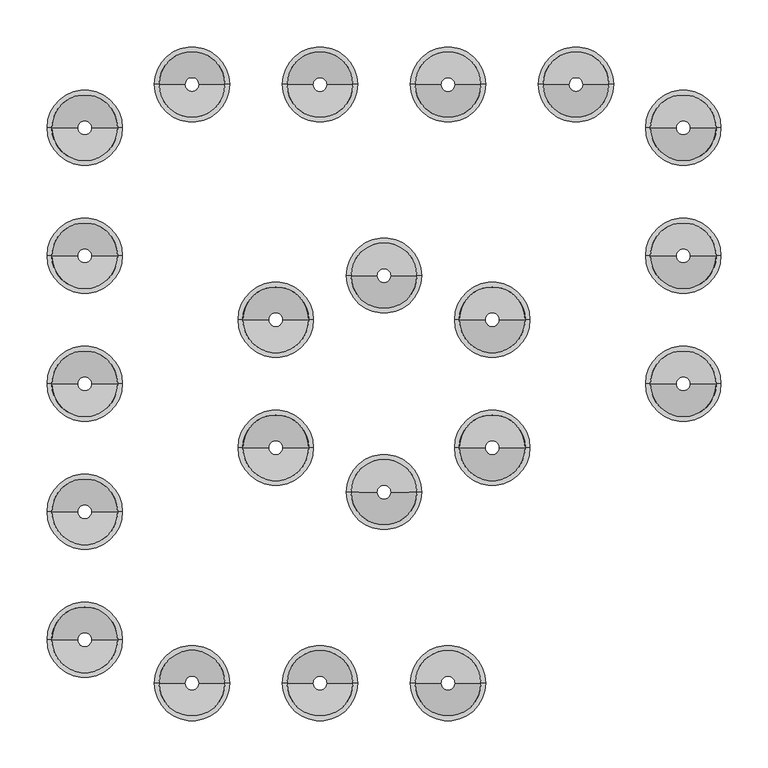
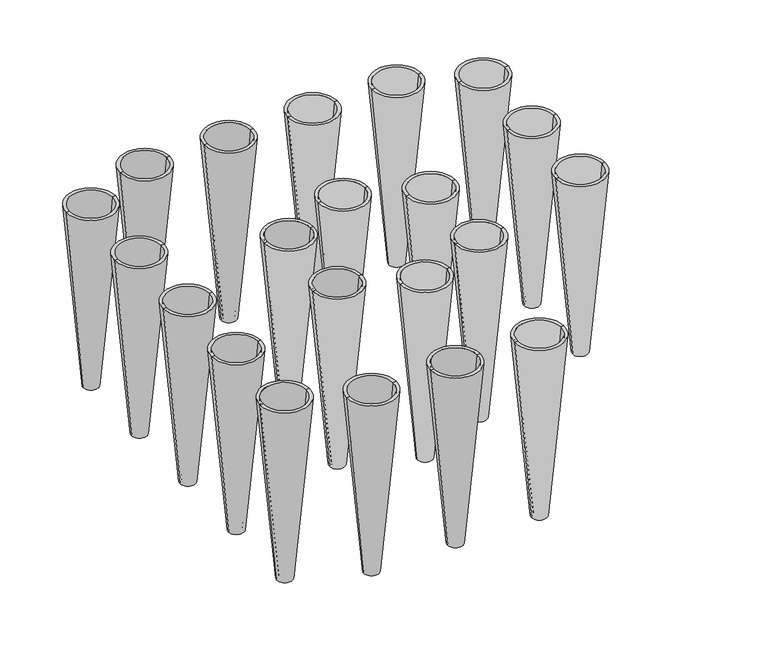
"""IFC4 building model written with IfcOpenShell, lengths in millimetres: proxy geometry."""

from ifc_helpers import new_model, si_unit, frame, origin, place, context, project, spatial, polyline, circle_curve, source, transform, mapped, element, save
from ifc_brep_helpers import plane_surface, revolved_surface, advanced_brep


def specialty_equipment_bf1b4548(model_context):
    return source(origin(), model_context, "Body", "AdvancedBrep", [
        advanced_brep(
        [(-1260.0, -68.0, 0.0), (-1285.0, -68.0, 0.0), (-1279.9768694, -68.0, 0.0), (-1265.0231306, -68.0, 0.0), (-1312.5, -68.0, 310.0), (-1232.5, -68.0, 310.0), (-1237.5231306, -68.0, 310.0), (-1307.4768694, -68.0, 310.0)],
        [
            (0, 1, circle_curve(frame((-1272.5, -68.0, 0.0), z_axis=(0.0, 0.0, -1.0), x_axis=(1.0, 0.0, 0.0)), 12.5)),
            (1, 2),
            (2, 3, circle_curve(frame((-1272.5, -68.0, 0.0), z_axis=(0.0, 0.0, 1.0), x_axis=(1.0, 0.0, 0.0)), 7.4768694)),
            (3, 0),
            (1, 0, circle_curve(frame((-1272.5, -68.0, 0.0), z_axis=(0.0, 0.0, -1.0), x_axis=(1.0, 0.0, 0.0)), 12.5)),
            (3, 2, circle_curve(frame((-1272.5, -68.0, 0.0), z_axis=(0.0, 0.0, 1.0), x_axis=(1.0, 0.0, 0.0)), 7.4768694)),
            (4, 5, circle_curve(frame((-1272.5, -68.0, 310.0), z_axis=(0.0, 0.0, 1.0), x_axis=(1.0, 0.0, 0.0)), 40.0)),
            (5, 6),
            (6, 7, circle_curve(frame((-1272.5, -68.0, 310.0), z_axis=(0.0, 0.0, -1.0), x_axis=(1.0, 0.0, 0.0)), 34.9768694)),
            (7, 4),
            (5, 4, circle_curve(frame((-1272.5, -68.0, 310.0), z_axis=(0.0, 0.0, 1.0), x_axis=(1.0, 0.0, 0.0)), 40.0)),
            (7, 6, circle_curve(frame((-1272.5, -68.0, 310.0), z_axis=(0.0, 0.0, -1.0), x_axis=(1.0, 0.0, 0.0)), 34.9768694)),
            (0, 5),
            (4, 1),
            (3, 6),
            (7, 2),
        ],
        [
            plane_surface(frame((-1272.5, -68.0, 0.0), z_axis=(0.0, 0.0, -1.0), x_axis=(1.0, 0.0, 0.0))),
            plane_surface(frame((-1272.5, -68.0, 310.0), z_axis=(0.0, 0.0, 1.0), x_axis=(1.0, 0.0, 0.0))),
            revolved_surface(polyline([(-1232.5, -68.0, 310.0), (-1260.0, -68.0, 0.0)]), (-1272.5, -68.0, 310.0), (0.0, 0.0, -1.0)),
            revolved_surface(polyline([(-1232.6440984, -68.0, 365.0), (-1265.9102274, -68.0, -10.0)]), (-1272.5, -68.0, 310.0), (0.0, 0.0, 1.0)),
        ],
        [
            (0, [[1, 2, 3, 4]]),
            (0, [[5, -4, 6, -2]]),
            (1, [[7, 8, 9, 10]]),
            (1, [[11, -10, 12, -8]]),
            (2, [[-1, 13, -7, 14]]),
            (2, [[-5, -14, -11, -13]]),
            (3, [[15, -12, 16, -6]]),
            (3, [[-15, -3, -16, -9]]),
        ],
    ),
        advanced_brep(
        [(-1260.0, 68.0, 0.0), (-1285.0, 68.0, 0.0), (-1279.9768694, 68.0, 0.0), (-1265.0231306, 68.0, 0.0), (-1312.5, 68.0, 310.0), (-1232.5, 68.0, 310.0), (-1237.5231306, 68.0, 310.0), (-1307.4768694, 68.0, 310.0)],
        [
            (0, 1, circle_curve(frame((-1272.5, 68.0, 0.0), z_axis=(0.0, 0.0, -1.0), x_axis=(1.0, 0.0, 0.0)), 12.5)),
            (1, 2),
            (2, 3, circle_curve(frame((-1272.5, 68.0, 0.0), z_axis=(0.0, 0.0, 1.0), x_axis=(1.0, 0.0, 0.0)), 7.4768694)),
            (3, 0),
            (1, 0, circle_curve(frame((-1272.5, 68.0, 0.0), z_axis=(0.0, 0.0, -1.0), x_axis=(1.0, 0.0, 0.0)), 12.5)),
            (3, 2, circle_curve(frame((-1272.5, 68.0, 0.0), z_axis=(0.0, 0.0, 1.0), x_axis=(1.0, 0.0, 0.0)), 7.4768694)),
            (4, 5, circle_curve(frame((-1272.5, 68.0, 310.0), z_axis=(0.0, 0.0, 1.0), x_axis=(1.0, 0.0, 0.0)), 40.0)),
            (5, 6),
            (6, 7, circle_curve(frame((-1272.5, 68.0, 310.0), z_axis=(0.0, 0.0, -1.0), x_axis=(1.0, 0.0, 0.0)), 34.9768694)),
            (7, 4),
            (5, 4, circle_curve(frame((-1272.5, 68.0, 310.0), z_axis=(0.0, 0.0, 1.0), x_axis=(1.0, 0.0, 0.0)), 40.0)),
            (7, 6, circle_curve(frame((-1272.5, 68.0, 310.0), z_axis=(0.0, 0.0, -1.0), x_axis=(1.0, 0.0, 0.0)), 34.9768694)),
            (0, 5),
            (4, 1),
            (3, 6),
            (7, 2),
        ],
        [
            plane_surface(frame((-1272.5, 68.0, 0.0), z_axis=(0.0, 0.0, -1.0), x_axis=(1.0, 0.0, 0.0))),
            plane_surface(frame((-1272.5, 68.0, 310.0), z_axis=(0.0, 0.0, 1.0), x_axis=(1.0, 0.0, 0.0))),
            revolved_surface(polyline([(-1232.5, 68.0, 310.0), (-1260.0, 68.0, 0.0)]), (-1272.5, 68.0, 310.0), (0.0, 0.0, -1.0)),
            revolved_surface(polyline([(-1232.6440984, 68.0, 365.0), (-1265.9102274, 68.0, -10.0)]), (-1272.5, 68.0, 310.0), (0.0, 0.0, 1.0)),
        ],
        [
            (0, [[1, 2, 3, 4]]),
            (0, [[5, -4, 6, -2]]),
            (1, [[7, 8, 9, 10]]),
            (1, [[11, -10, 12, -8]]),
            (2, [[-1, 13, -7, 14]]),
            (2, [[-5, -14, -11, -13]]),
            (3, [[15, -12, 16, -6]]),
            (3, [[-15, -3, -16, -9]]),
        ],
    ),
        advanced_brep(
        [(-1349.0, -318.0, 0.0), (-1374.0, -318.0, 0.0), (-1368.9768694, -318.0, 0.0), (-1354.0231306, -318.0, 0.0), (-1401.5, -318.0, 310.0), (-1321.5, -318.0, 310.0), (-1326.5231306, -318.0, 310.0), (-1396.4768694, -318.0, 310.0)],
        [
            (0, 1, circle_curve(frame((-1361.5, -318.0, 0.0), z_axis=(0.0, 0.0, -1.0), x_axis=(-1.0, 0.0, 0.0)), 12.5)),
            (1, 2),
            (2, 3, circle_curve(frame((-1361.5, -318.0, 0.0), z_axis=(0.0, 0.0, 1.0), x_axis=(1.0, 0.0, 0.0)), 7.4768694)),
            (3, 0),
            (1, 0, circle_curve(frame((-1361.5, -318.0, 0.0), z_axis=(0.0, 0.0, -1.0), x_axis=(-1.0, 0.0, 0.0)), 12.5)),
            (3, 2, circle_curve(frame((-1361.5, -318.0, 0.0), z_axis=(0.0, 0.0, 1.0), x_axis=(1.0, 0.0, 0.0)), 7.4768694)),
            (4, 5, circle_curve(frame((-1361.5, -318.0, 310.0), z_axis=(0.0, 0.0, 1.0), x_axis=(-1.0, 0.0, 0.0)), 40.0)),
            (5, 6),
            (6, 7, circle_curve(frame((-1361.5, -318.0, 310.0), z_axis=(0.0, 0.0, -1.0), x_axis=(1.0, 0.0, 0.0)), 34.9768694)),
            (7, 4),
            (5, 4, circle_curve(frame((-1361.5, -318.0, 310.0), z_axis=(0.0, 0.0, 1.0), x_axis=(-1.0, 0.0, 0.0)), 40.0)),
            (7, 6, circle_curve(frame((-1361.5, -318.0, 310.0), z_axis=(0.0, 0.0, -1.0), x_axis=(1.0, 0.0, 0.0)), 34.9768694)),
            (0, 5),
            (4, 1),
            (7, 2),
            (3, 6),
        ],
        [
            plane_surface(frame((-1361.5, -318.0, 0.0), z_axis=(0.0, 0.0, -1.0), x_axis=(-1.0, 0.0, 0.0))),
            plane_surface(frame((-1361.5, -318.0, 310.0), z_axis=(0.0, 0.0, 1.0), x_axis=(-1.0, 0.0, 0.0))),
            revolved_surface(polyline([(-1374.0, -318.0, 0.0), (-1401.5, -318.0, 310.0)]), (-1361.5, -318.0, 310.0), (0.0, 0.0, 1.0)),
            revolved_surface(polyline([(-1321.6440984, -318.0, 365.0), (-1354.9102274, -318.0, -10.0)]), (-1361.5, -318.0, 310.0), (0.0, 0.0, 1.0)),
        ],
        [
            (0, [[1, 2, 3, 4]]),
            (0, [[5, -4, 6, -2]]),
            (1, [[7, 8, 9, 10]]),
            (1, [[11, -10, 12, -8]]),
            (2, [[-1, 13, -7, 14]]),
            (2, [[-5, -14, -11, -13]]),
            (3, [[15, -6, 16, -12]]),
            (3, [[-15, -9, -16, -3]]),
        ],
    ),
        advanced_brep(
        [(-1213.0, -318.0, 0.0), (-1238.0, -318.0, 0.0), (-1232.9768694, -318.0, 0.0), (-1218.0231306, -318.0, 0.0), (-1265.5, -318.0, 310.0), (-1185.5, -318.0, 310.0), (-1190.5231306, -318.0, 310.0), (-1260.4768694, -318.0, 310.0)],
        [
            (0, 1, circle_curve(frame((-1225.5, -318.0, 0.0), z_axis=(0.0, 0.0, -1.0), x_axis=(-1.0, 0.0, 0.0)), 12.5)),
            (1, 2),
            (2, 3, circle_curve(frame((-1225.5, -318.0, 0.0), z_axis=(0.0, 0.0, 1.0), x_axis=(1.0, 0.0, 0.0)), 7.4768694)),
            (3, 0),
            (1, 0, circle_curve(frame((-1225.5, -318.0, 0.0), z_axis=(0.0, 0.0, -1.0), x_axis=(-1.0, 0.0, 0.0)), 12.5)),
            (3, 2, circle_curve(frame((-1225.5, -318.0, 0.0), z_axis=(0.0, 0.0, 1.0), x_axis=(1.0, 0.0, 0.0)), 7.4768694)),
            (4, 5, circle_curve(frame((-1225.5, -318.0, 310.0), z_axis=(0.0, 0.0, 1.0), x_axis=(-1.0, 0.0, 0.0)), 40.0)),
            (5, 6),
            (6, 7, circle_curve(frame((-1225.5, -318.0, 310.0), z_axis=(0.0, 0.0, -1.0), x_axis=(1.0, 0.0, 0.0)), 34.9768694)),
            (7, 4),
            (5, 4, circle_curve(frame((-1225.5, -318.0, 310.0), z_axis=(0.0, 0.0, 1.0), x_axis=(-1.0, 0.0, 0.0)), 40.0)),
            (7, 6, circle_curve(frame((-1225.5, -318.0, 310.0), z_axis=(0.0, 0.0, -1.0), x_axis=(1.0, 0.0, 0.0)), 34.9768694)),
            (0, 5),
            (4, 1),
            (7, 2),
            (3, 6),
        ],
        [
            plane_surface(frame((-1225.5, -318.0, 0.0), z_axis=(0.0, 0.0, -1.0), x_axis=(-1.0, 0.0, 0.0))),
            plane_surface(frame((-1225.5, -318.0, 310.0), z_axis=(0.0, 0.0, 1.0), x_axis=(-1.0, 0.0, 0.0))),
            revolved_surface(polyline([(-1238.0, -318.0, 0.0), (-1265.5, -318.0, 310.0)]), (-1225.5, -318.0, 310.0), (0.0, 0.0, 1.0)),
            revolved_surface(polyline([(-1185.6440984, -318.0, 365.0), (-1218.9102274, -318.0, -10.0)]), (-1225.5, -318.0, 310.0), (0.0, 0.0, 1.0)),
        ],
        [
            (0, [[1, 2, 3, 4]]),
            (0, [[5, -4, 6, -2]]),
            (1, [[7, 8, 9, 10]]),
            (1, [[11, -10, 12, -8]]),
            (2, [[-1, 13, -7, 14]]),
            (2, [[-5, -14, -11, -13]]),
            (3, [[15, -6, 16, -12]]),
            (3, [[-15, -9, -16, -3]]),
        ],
    ),
        advanced_brep(
        [(-1213.0, 318.0, 0.0), (-1238.0, 318.0, 0.0), (-1232.9768694, 318.0, 0.0), (-1218.0231306, 318.0, 0.0), (-1265.5, 318.0, 310.0), (-1185.5, 318.0, 310.0), (-1190.5231306, 318.0, 310.0), (-1260.4768694, 318.0, 310.0)],
        [
            (0, 1, circle_curve(frame((-1225.5, 318.0, 0.0), z_axis=(0.0, 0.0, -1.0), x_axis=(-1.0, 0.0, 0.0)), 12.5)),
            (1, 2),
            (2, 3, circle_curve(frame((-1225.5, 318.0, 0.0), z_axis=(0.0, 0.0, 1.0), x_axis=(1.0, 0.0, 0.0)), 7.4768694)),
            (3, 0),
            (1, 0, circle_curve(frame((-1225.5, 318.0, 0.0), z_axis=(0.0, 0.0, -1.0), x_axis=(-1.0, 0.0, 0.0)), 12.5)),
            (3, 2, circle_curve(frame((-1225.5, 318.0, 0.0), z_axis=(0.0, 0.0, 1.0), x_axis=(1.0, 0.0, 0.0)), 7.4768694)),
            (4, 5, circle_curve(frame((-1225.5, 318.0, 310.0), z_axis=(0.0, 0.0, 1.0), x_axis=(-1.0, 0.0, 0.0)), 40.0)),
            (5, 6),
            (6, 7, circle_curve(frame((-1225.5, 318.0, 310.0), z_axis=(0.0, 0.0, -1.0), x_axis=(1.0, 0.0, 0.0)), 34.9768694)),
            (7, 4),
            (5, 4, circle_curve(frame((-1225.5, 318.0, 310.0), z_axis=(0.0, 0.0, 1.0), x_axis=(-1.0, 0.0, 0.0)), 40.0)),
            (7, 6, circle_curve(frame((-1225.5, 318.0, 310.0), z_axis=(0.0, 0.0, -1.0), x_axis=(1.0, 0.0, 0.0)), 34.9768694)),
            (0, 5),
            (4, 1),
            (7, 2),
            (3, 6),
        ],
        [
            plane_surface(frame((-1225.5, 318.0, 0.0), z_axis=(0.0, 0.0, -1.0), x_axis=(-1.0, 0.0, 0.0))),
            plane_surface(frame((-1225.5, 318.0, 310.0), z_axis=(0.0, 0.0, 1.0), x_axis=(-1.0, 0.0, 0.0))),
            revolved_surface(polyline([(-1238.0, 318.0, 0.0), (-1265.5, 318.0, 310.0)]), (-1225.5, 318.0, 310.0), (0.0, 0.0, 1.0)),
            revolved_surface(polyline([(-1185.6440984, 318.0, 365.0), (-1218.9102274, 318.0, -10.0)]), (-1225.5, 318.0, 310.0), (0.0, 0.0, 1.0)),
        ],
        [
            (0, [[1, 2, 3, 4]]),
            (0, [[5, -4, 6, -2]]),
            (1, [[7, 8, 9, 10]]),
            (1, [[11, -10, 12, -8]]),
            (2, [[-1, 13, -7, 14]]),
            (2, [[-5, -14, -11, -13]]),
            (3, [[15, -6, 16, -12]]),
            (3, [[-15, -9, -16, -3]]),
        ],
    ),
        advanced_brep(
        [(-1349.0, 318.0, 0.0), (-1374.0, 318.0, 0.0), (-1368.9768694, 318.0, 0.0), (-1354.0231306, 318.0, 0.0), (-1401.5, 318.0, 310.0), (-1321.5, 318.0, 310.0), (-1326.5231306, 318.0, 310.0), (-1396.4768694, 318.0, 310.0)],
        [
            (0, 1, circle_curve(frame((-1361.5, 318.0, 0.0), z_axis=(0.0, 0.0, -1.0), x_axis=(-1.0, 0.0, 0.0)), 12.5)),
            (1, 2),
            (2, 3, circle_curve(frame((-1361.5, 318.0, 0.0), z_axis=(0.0, 0.0, 1.0), x_axis=(1.0, 0.0, 0.0)), 7.4768694)),
            (3, 0),
            (1, 0, circle_curve(frame((-1361.5, 318.0, 0.0), z_axis=(0.0, 0.0, -1.0), x_axis=(-1.0, 0.0, 0.0)), 12.5)),
            (3, 2, circle_curve(frame((-1361.5, 318.0, 0.0), z_axis=(0.0, 0.0, 1.0), x_axis=(1.0, 0.0, 0.0)), 7.4768694)),
            (4, 5, circle_curve(frame((-1361.5, 318.0, 310.0), z_axis=(0.0, 0.0, 1.0), x_axis=(-1.0, 0.0, 0.0)), 40.0)),
            (5, 6),
            (6, 7, circle_curve(frame((-1361.5, 318.0, 310.0), z_axis=(0.0, 0.0, -1.0), x_axis=(1.0, 0.0, 0.0)), 34.9768694)),
            (7, 4),
            (5, 4, circle_curve(frame((-1361.5, 318.0, 310.0), z_axis=(0.0, 0.0, 1.0), x_axis=(-1.0, 0.0, 0.0)), 40.0)),
            (7, 6, circle_curve(frame((-1361.5, 318.0, 310.0), z_axis=(0.0, 0.0, -1.0), x_axis=(1.0, 0.0, 0.0)), 34.9768694)),
            (0, 5),
            (4, 1),
            (7, 2),
            (3, 6),
        ],
        [
            plane_surface(frame((-1361.5, 318.0, 0.0), z_axis=(0.0, 0.0, -1.0), x_axis=(-1.0, 0.0, 0.0))),
            plane_surface(frame((-1361.5, 318.0, 310.0), z_axis=(0.0, 0.0, 1.0), x_axis=(-1.0, 0.0, 0.0))),
            revolved_surface(polyline([(-1374.0, 318.0, 0.0), (-1401.5, 318.0, 310.0)]), (-1361.5, 318.0, 310.0), (0.0, 0.0, 1.0)),
            revolved_surface(polyline([(-1321.6440984, 318.0, 365.0), (-1354.9102274, 318.0, -10.0)]), (-1361.5, 318.0, 310.0), (0.0, 0.0, 1.0)),
        ],
        [
            (0, [[1, 2, 3, 4]]),
            (0, [[5, -4, 6, -2]]),
            (1, [[7, 8, 9, 10]]),
            (1, [[11, -10, 12, -8]]),
            (2, [[-1, 13, -7, 14]]),
            (2, [[-5, -14, -11, -13]]),
            (3, [[15, -6, 16, -12]]),
            (3, [[-15, -9, -16, -3]]),
        ],
    ),
        advanced_brep(
        [(-1463.0, 272.0, 0.0), (-1488.0, 272.0, 0.0), (-1482.9768694, 272.0, 0.0), (-1468.0231306, 272.0, 0.0), (-1515.5, 272.0, 310.0), (-1435.5, 272.0, 310.0), (-1440.5231306, 272.0, 310.0), (-1510.4768694, 272.0, 310.0)],
        [
            (0, 1, circle_curve(frame((-1475.5, 272.0, 0.0), z_axis=(0.0, 0.0, -1.0), x_axis=(-1.0, 0.0, 0.0)), 12.5)),
            (1, 2),
            (2, 3, circle_curve(frame((-1475.5, 272.0, 0.0), z_axis=(0.0, 0.0, 1.0), x_axis=(1.0, 0.0, 0.0)), 7.4768694)),
            (3, 0),
            (1, 0, circle_curve(frame((-1475.5, 272.0, 0.0), z_axis=(0.0, 0.0, -1.0), x_axis=(-1.0, 0.0, 0.0)), 12.5)),
            (3, 2, circle_curve(frame((-1475.5, 272.0, 0.0), z_axis=(0.0, 0.0, 1.0), x_axis=(1.0, 0.0, 0.0)), 7.4768694)),
            (4, 5, circle_curve(frame((-1475.5, 272.0, 310.0), z_axis=(0.0, 0.0, 1.0), x_axis=(-1.0, 0.0, 0.0)), 40.0)),
            (5, 6),
            (6, 7, circle_curve(frame((-1475.5, 272.0, 310.0), z_axis=(0.0, 0.0, -1.0), x_axis=(1.0, 0.0, 0.0)), 34.9768694)),
            (7, 4),
            (5, 4, circle_curve(frame((-1475.5, 272.0, 310.0), z_axis=(0.0, 0.0, 1.0), x_axis=(-1.0, 0.0, 0.0)), 40.0)),
            (7, 6, circle_curve(frame((-1475.5, 272.0, 310.0), z_axis=(0.0, 0.0, -1.0), x_axis=(1.0, 0.0, 0.0)), 34.9768694)),
            (0, 5),
            (4, 1),
            (7, 2),
            (3, 6),
        ],
        [
            plane_surface(frame((-1475.5, 272.0, 0.0), z_axis=(0.0, 0.0, -1.0), x_axis=(-1.0, 0.0, 0.0))),
            plane_surface(frame((-1475.5, 272.0, 310.0), z_axis=(0.0, 0.0, 1.0), x_axis=(-1.0, 0.0, 0.0))),
            revolved_surface(polyline([(-1488.0, 272.0, 0.0), (-1515.5, 272.0, 310.0)]), (-1475.5, 272.0, 310.0), (0.0, 0.0, 1.0)),
            revolved_surface(polyline([(-1435.6440984, 272.0, 365.0), (-1468.9102274, 272.0, -10.0)]), (-1475.5, 272.0, 310.0), (0.0, 0.0, 1.0)),
        ],
        [
            (0, [[1, 2, 3, 4]]),
            (0, [[5, -4, 6, -2]]),
            (1, [[7, 8, 9, 10]]),
            (1, [[11, -10, 12, -8]]),
            (2, [[-1, 13, -7, 14]]),
            (2, [[-5, -14, -11, -13]]),
            (3, [[15, -6, 16, -12]]),
            (3, [[-15, -9, -16, -3]]),
        ],
    ),
        advanced_brep(
        [(-1463.0, 136.0, 0.0), (-1488.0, 136.0, 0.0), (-1482.9768694, 136.0, 0.0), (-1468.0231306, 136.0, 0.0), (-1515.5, 136.0, 310.0), (-1435.5, 136.0, 310.0), (-1440.5231306, 136.0, 310.0), (-1510.4768694, 136.0, 310.0)],
        [
            (0, 1, circle_curve(frame((-1475.5, 136.0, 0.0), z_axis=(0.0, 0.0, -1.0), x_axis=(-1.0, 0.0, 0.0)), 12.5)),
            (1, 2),
            (2, 3, circle_curve(frame((-1475.5, 136.0, 0.0), z_axis=(0.0, 0.0, 1.0), x_axis=(1.0, 0.0, 0.0)), 7.4768694)),
            (3, 0),
            (1, 0, circle_curve(frame((-1475.5, 136.0, 0.0), z_axis=(0.0, 0.0, -1.0), x_axis=(-1.0, 0.0, 0.0)), 12.5)),
            (3, 2, circle_curve(frame((-1475.5, 136.0, 0.0), z_axis=(0.0, 0.0, 1.0), x_axis=(1.0, 0.0, 0.0)), 7.4768694)),
            (4, 5, circle_curve(frame((-1475.5, 136.0, 310.0), z_axis=(0.0, 0.0, 1.0), x_axis=(-1.0, 0.0, 0.0)), 40.0)),
            (5, 6),
            (6, 7, circle_curve(frame((-1475.5, 136.0, 310.0), z_axis=(0.0, 0.0, -1.0), x_axis=(1.0, 0.0, 0.0)), 34.9768694)),
            (7, 4),
            (5, 4, circle_curve(frame((-1475.5, 136.0, 310.0), z_axis=(0.0, 0.0, 1.0), x_axis=(-1.0, 0.0, 0.0)), 40.0)),
            (7, 6, circle_curve(frame((-1475.5, 136.0, 310.0), z_axis=(0.0, 0.0, -1.0), x_axis=(1.0, 0.0, 0.0)), 34.9768694)),
            (0, 5),
            (4, 1),
            (7, 2),
            (3, 6),
        ],
        [
            plane_surface(frame((-1475.5, 136.0, 0.0), z_axis=(0.0, 0.0, -1.0), x_axis=(-1.0, 0.0, 0.0))),
            plane_surface(frame((-1475.5, 136.0, 310.0), z_axis=(0.0, 0.0, 1.0), x_axis=(-1.0, 0.0, 0.0))),
            revolved_surface(polyline([(-1488.0, 136.0, 0.0), (-1515.5, 136.0, 310.0)]), (-1475.5, 136.0, 310.0), (0.0, 0.0, 1.0)),
            revolved_surface(polyline([(-1435.6440984, 136.0, 365.0), (-1468.9102274, 136.0, -10.0)]), (-1475.5, 136.0, 310.0), (0.0, 0.0, 1.0)),
        ],
        [
            (0, [[1, 2, 3, 4]]),
            (0, [[5, -4, 6, -2]]),
            (1, [[7, 8, 9, 10]]),
            (1, [[11, -10, 12, -8]]),
            (2, [[-1, 13, -7, 14]]),
            (2, [[-5, -14, -11, -13]]),
            (3, [[15, -6, 16, -12]]),
            (3, [[-15, -9, -16, -3]]),
        ],
    ),
        advanced_brep(
        [(-1463.0, 0.0, 0.0), (-1488.0, 0.0, 0.0), (-1482.9768694, 0.0, 0.0), (-1468.0231306, 0.0, 0.0), (-1515.5, 0.0, 310.0), (-1435.5, 0.0, 310.0), (-1440.5231306, 0.0, 310.0), (-1510.4768694, 0.0, 310.0)],
        [
            (0, 1, circle_curve(frame((-1475.5, 0.0, 0.0), z_axis=(0.0, 0.0, -1.0), x_axis=(-1.0, 0.0, 0.0)), 12.5)),
            (1, 2),
            (2, 3, circle_curve(frame((-1475.5, 0.0, 0.0), z_axis=(0.0, 0.0, 1.0), x_axis=(1.0, 0.0, 0.0)), 7.4768694)),
            (3, 0),
            (1, 0, circle_curve(frame((-1475.5, 0.0, 0.0), z_axis=(0.0, 0.0, -1.0), x_axis=(-1.0, 0.0, 0.0)), 12.5)),
            (3, 2, circle_curve(frame((-1475.5, 0.0, 0.0), z_axis=(0.0, 0.0, 1.0), x_axis=(1.0, 0.0, 0.0)), 7.4768694)),
            (4, 5, circle_curve(frame((-1475.5, 0.0, 310.0), z_axis=(0.0, 0.0, 1.0), x_axis=(-1.0, 0.0, 0.0)), 40.0)),
            (5, 6),
            (6, 7, circle_curve(frame((-1475.5, 0.0, 310.0), z_axis=(0.0, 0.0, -1.0), x_axis=(1.0, 0.0, 0.0)), 34.9768694)),
            (7, 4),
            (5, 4, circle_curve(frame((-1475.5, 0.0, 310.0), z_axis=(0.0, 0.0, 1.0), x_axis=(-1.0, 0.0, 0.0)), 40.0)),
            (7, 6, circle_curve(frame((-1475.5, 0.0, 310.0), z_axis=(0.0, 0.0, -1.0), x_axis=(1.0, 0.0, 0.0)), 34.9768694)),
            (0, 5),
            (4, 1),
            (7, 2),
            (3, 6),
        ],
        [
            plane_surface(frame((-1475.5, 0.0, 0.0), z_axis=(0.0, 0.0, -1.0), x_axis=(-1.0, 0.0, 0.0))),
            plane_surface(frame((-1475.5, 0.0, 310.0), z_axis=(0.0, 0.0, 1.0), x_axis=(-1.0, 0.0, 0.0))),
            revolved_surface(polyline([(-1488.0, 0.0, 0.0), (-1515.5, 0.0, 310.0)]), (-1475.5, 0.0, 310.0), (0.0, 0.0, 1.0)),
            revolved_surface(polyline([(-1435.6440984, 0.0, 365.0), (-1468.9102274, 0.0, -10.0)]), (-1475.5, 0.0, 310.0), (0.0, 0.0, 1.0)),
        ],
        [
            (0, [[1, 2, 3, 4]]),
            (0, [[5, -4, 6, -2]]),
            (1, [[7, 8, 9, 10]]),
            (1, [[11, -10, 12, -8]]),
            (2, [[-1, 13, -7, 14]]),
            (2, [[-5, -14, -11, -13]]),
            (3, [[15, -6, 16, -12]]),
            (3, [[-15, -9, -16, -3]]),
        ],
    ),
        advanced_brep(
        [(-1463.0, -136.0, 0.0), (-1488.0, -136.0, 0.0), (-1482.9768694, -136.0, 0.0), (-1468.0231306, -136.0, 0.0), (-1515.5, -136.0, 310.0), (-1435.5, -136.0, 310.0), (-1440.5231306, -136.0, 310.0), (-1510.4768694, -136.0, 310.0)],
        [
            (0, 1, circle_curve(frame((-1475.5, -136.0, 0.0), z_axis=(0.0, 0.0, -1.0), x_axis=(-1.0, 0.0, 0.0)), 12.5)),
            (1, 2),
            (2, 3, circle_curve(frame((-1475.5, -136.0, 0.0), z_axis=(0.0, 0.0, 1.0), x_axis=(1.0, 0.0, 0.0)), 7.4768694)),
            (3, 0),
            (1, 0, circle_curve(frame((-1475.5, -136.0, 0.0), z_axis=(0.0, 0.0, -1.0), x_axis=(-1.0, 0.0, 0.0)), 12.5)),
            (3, 2, circle_curve(frame((-1475.5, -136.0, 0.0), z_axis=(0.0, 0.0, 1.0), x_axis=(1.0, 0.0, 0.0)), 7.4768694)),
            (4, 5, circle_curve(frame((-1475.5, -136.0, 310.0), z_axis=(0.0, 0.0, 1.0), x_axis=(-1.0, 0.0, 0.0)), 40.0)),
            (5, 6),
            (6, 7, circle_curve(frame((-1475.5, -136.0, 310.0), z_axis=(0.0, 0.0, -1.0), x_axis=(1.0, 0.0, 0.0)), 34.9768694)),
            (7, 4),
            (5, 4, circle_curve(frame((-1475.5, -136.0, 310.0), z_axis=(0.0, 0.0, 1.0), x_axis=(-1.0, 0.0, 0.0)), 40.0)),
            (7, 6, circle_curve(frame((-1475.5, -136.0, 310.0), z_axis=(0.0, 0.0, -1.0), x_axis=(1.0, 0.0, 0.0)), 34.9768694)),
            (0, 5),
            (4, 1),
            (7, 2),
            (3, 6),
        ],
        [
            plane_surface(frame((-1475.5, -136.0, 0.0), z_axis=(0.0, 0.0, -1.0), x_axis=(-1.0, 0.0, 0.0))),
            plane_surface(frame((-1475.5, -136.0, 310.0), z_axis=(0.0, 0.0, 1.0), x_axis=(-1.0, 0.0, 0.0))),
            revolved_surface(polyline([(-1488.0, -136.0, 0.0), (-1515.5, -136.0, 310.0)]), (-1475.5, -136.0, 310.0), (0.0, 0.0, 1.0)),
            revolved_surface(polyline([(-1435.6440984, -136.0, 365.0), (-1468.9102274, -136.0, -10.0)]), (-1475.5, -136.0, 310.0), (0.0, 0.0, 1.0)),
        ],
        [
            (0, [[1, 2, 3, 4]]),
            (0, [[5, -4, 6, -2]]),
            (1, [[7, 8, 9, 10]]),
            (1, [[11, -10, 12, -8]]),
            (2, [[-1, 13, -7, 14]]),
            (2, [[-5, -14, -11, -13]]),
            (3, [[15, -6, 16, -12]]),
            (3, [[-15, -9, -16, -3]]),
        ],
    ),
        advanced_brep(
        [(-1463.0, -272.0, 0.0), (-1488.0, -272.0, 0.0), (-1482.9768694, -272.0, 0.0), (-1468.0231306, -272.0, 0.0), (-1515.5, -272.0, 310.0), (-1435.5, -272.0, 310.0), (-1440.5231306, -272.0, 310.0), (-1510.4768694, -272.0, 310.0)],
        [
            (0, 1, circle_curve(frame((-1475.5, -272.0, 0.0), z_axis=(0.0, 0.0, -1.0), x_axis=(-1.0, 0.0, 0.0)), 12.5)),
            (1, 2),
            (2, 3, circle_curve(frame((-1475.5, -272.0, 0.0), z_axis=(0.0, 0.0, 1.0), x_axis=(1.0, 0.0, 0.0)), 7.4768694)),
            (3, 0),
            (1, 0, circle_curve(frame((-1475.5, -272.0, 0.0), z_axis=(0.0, 0.0, -1.0), x_axis=(-1.0, 0.0, 0.0)), 12.5)),
            (3, 2, circle_curve(frame((-1475.5, -272.0, 0.0), z_axis=(0.0, 0.0, 1.0), x_axis=(1.0, 0.0, 0.0)), 7.4768694)),
            (4, 5, circle_curve(frame((-1475.5, -272.0, 310.0), z_axis=(0.0, 0.0, 1.0), x_axis=(-1.0, 0.0, 0.0)), 40.0)),
            (5, 6),
            (6, 7, circle_curve(frame((-1475.5, -272.0, 310.0), z_axis=(0.0, 0.0, -1.0), x_axis=(1.0, 0.0, 0.0)), 34.9768694)),
            (7, 4),
            (5, 4, circle_curve(frame((-1475.5, -272.0, 310.0), z_axis=(0.0, 0.0, 1.0), x_axis=(-1.0, 0.0, 0.0)), 40.0)),
            (7, 6, circle_curve(frame((-1475.5, -272.0, 310.0), z_axis=(0.0, 0.0, -1.0), x_axis=(1.0, 0.0, 0.0)), 34.9768694)),
            (0, 5),
            (4, 1),
            (7, 2),
            (3, 6),
        ],
        [
            plane_surface(frame((-1475.5, -272.0, 0.0), z_axis=(0.0, 0.0, -1.0), x_axis=(-1.0, 0.0, 0.0))),
            plane_surface(frame((-1475.5, -272.0, 310.0), z_axis=(0.0, 0.0, 1.0), x_axis=(-1.0, 0.0, 0.0))),
            revolved_surface(polyline([(-1488.0, -272.0, 0.0), (-1515.5, -272.0, 310.0)]), (-1475.5, -272.0, 310.0), (0.0, 0.0, 1.0)),
            revolved_surface(polyline([(-1435.6440984, -272.0, 365.0), (-1468.9102274, -272.0, -10.0)]), (-1475.5, -272.0, 310.0), (0.0, 0.0, 1.0)),
        ],
        [
            (0, [[1, 2, 3, 4]]),
            (0, [[5, -4, 6, -2]]),
            (1, [[7, 8, 9, 10]]),
            (1, [[11, -10, 12, -8]]),
            (2, [[-1, 13, -7, 14]]),
            (2, [[-5, -14, -11, -13]]),
            (3, [[15, -6, 16, -12]]),
            (3, [[-15, -9, -16, -3]]),
        ],
    ),
        advanced_brep(
        [(-1077.0, 318.0, 0.0), (-1102.0, 318.0, 0.0), (-1096.9768694, 318.0, 0.0), (-1082.0231306, 318.0, 0.0), (-1129.5, 318.0, 310.0), (-1049.5, 318.0, 310.0), (-1054.5231306, 318.0, 310.0), (-1124.4768694, 318.0, 310.0)],
        [
            (0, 1, circle_curve(frame((-1089.5, 318.0, 0.0), z_axis=(0.0, 0.0, -1.0), x_axis=(1.0, 0.0, 0.0)), 12.5)),
            (1, 2),
            (2, 3, circle_curve(frame((-1089.5, 318.0, 0.0), z_axis=(0.0, 0.0, 1.0), x_axis=(-1.0, 0.0, 0.0)), 7.4768694)),
            (3, 0),
            (1, 0, circle_curve(frame((-1089.5, 318.0, 0.0), z_axis=(0.0, 0.0, -1.0), x_axis=(1.0, 0.0, 0.0)), 12.5)),
            (3, 2, circle_curve(frame((-1089.5, 318.0, 0.0), z_axis=(0.0, 0.0, 1.0), x_axis=(-1.0, 0.0, 0.0)), 7.4768694)),
            (4, 5, circle_curve(frame((-1089.5, 318.0, 310.0), z_axis=(0.0, 0.0, 1.0), x_axis=(1.0, 0.0, 0.0)), 40.0)),
            (5, 6),
            (6, 7, circle_curve(frame((-1089.5, 318.0, 310.0), z_axis=(0.0, 0.0, -1.0), x_axis=(-1.0, 0.0, 0.0)), 34.9768694)),
            (7, 4),
            (5, 4, circle_curve(frame((-1089.5, 318.0, 310.0), z_axis=(0.0, 0.0, 1.0), x_axis=(1.0, 0.0, 0.0)), 40.0)),
            (7, 6, circle_curve(frame((-1089.5, 318.0, 310.0), z_axis=(0.0, 0.0, -1.0), x_axis=(-1.0, 0.0, 0.0)), 34.9768694)),
            (0, 5),
            (4, 1),
            (3, 6),
            (7, 2),
        ],
        [
            plane_surface(frame((-1089.5, 318.0, 0.0), z_axis=(0.0, 0.0, -1.0), x_axis=(1.0, 0.0, 0.0))),
            plane_surface(frame((-1089.5, 318.0, 310.0), z_axis=(0.0, 0.0, 1.0), x_axis=(1.0, 0.0, 0.0))),
            revolved_surface(polyline([(-1049.5, 318.0, 310.0), (-1077.0, 318.0, 0.0)]), (-1089.5, 318.0, 310.0), (0.0, 0.0, -1.0)),
            revolved_surface(polyline([(-1096.0897726, 318.0, -10.0), (-1129.3559016, 318.0, 365.0)]), (-1089.5, 318.0, 310.0), (0.0, 0.0, -1.0)),
        ],
        [
            (0, [[1, 2, 3, 4]]),
            (0, [[5, -4, 6, -2]]),
            (1, [[7, 8, 9, 10]]),
            (1, [[11, -10, 12, -8]]),
            (2, [[-1, 13, -7, 14]]),
            (2, [[-5, -14, -11, -13]]),
            (3, [[15, -12, 16, -6]]),
            (3, [[-15, -3, -16, -9]]),
        ],
    ),
        advanced_brep(
        [(-1077.0, -318.0, 0.0), (-1102.0, -318.0, 0.0), (-1096.9768694, -318.0, 0.0), (-1082.0231306, -318.0, 0.0), (-1129.5, -318.0, 310.0), (-1049.5, -318.0, 310.0), (-1054.5231306, -318.0, 310.0), (-1124.4768694, -318.0, 310.0)],
        [
            (0, 1, circle_curve(frame((-1089.5, -318.0, 0.0), z_axis=(0.0, 0.0, -1.0), x_axis=(1.0, 0.0, 0.0)), 12.5)),
            (1, 2),
            (2, 3, circle_curve(frame((-1089.5, -318.0, 0.0), z_axis=(0.0, 0.0, 1.0), x_axis=(-1.0, 0.0, 0.0)), 7.4768694)),
            (3, 0),
            (1, 0, circle_curve(frame((-1089.5, -318.0, 0.0), z_axis=(0.0, 0.0, -1.0), x_axis=(1.0, 0.0, 0.0)), 12.5)),
            (3, 2, circle_curve(frame((-1089.5, -318.0, 0.0), z_axis=(0.0, 0.0, 1.0), x_axis=(-1.0, 0.0, 0.0)), 7.4768694)),
            (4, 5, circle_curve(frame((-1089.5, -318.0, 310.0), z_axis=(0.0, 0.0, 1.0), x_axis=(1.0, 0.0, 0.0)), 40.0)),
            (5, 6),
            (6, 7, circle_curve(frame((-1089.5, -318.0, 310.0), z_axis=(0.0, 0.0, -1.0), x_axis=(-1.0, 0.0, 0.0)), 34.9768694)),
            (7, 4),
            (5, 4, circle_curve(frame((-1089.5, -318.0, 310.0), z_axis=(0.0, 0.0, 1.0), x_axis=(1.0, 0.0, 0.0)), 40.0)),
            (7, 6, circle_curve(frame((-1089.5, -318.0, 310.0), z_axis=(0.0, 0.0, -1.0), x_axis=(-1.0, 0.0, 0.0)), 34.9768694)),
            (0, 5),
            (4, 1),
            (3, 6),
            (7, 2),
        ],
        [
            plane_surface(frame((-1089.5, -318.0, 0.0), z_axis=(0.0, 0.0, -1.0), x_axis=(1.0, 0.0, 0.0))),
            plane_surface(frame((-1089.5, -318.0, 310.0), z_axis=(0.0, 0.0, 1.0), x_axis=(1.0, 0.0, 0.0))),
            revolved_surface(polyline([(-1049.5, -318.0, 310.0), (-1077.0, -318.0, 0.0)]), (-1089.5, -318.0, 310.0), (0.0, 0.0, -1.0)),
            revolved_surface(polyline([(-1096.0897726, -318.0, -10.0), (-1129.3559016, -318.0, 365.0)]), (-1089.5, -318.0, 310.0), (0.0, 0.0, -1.0)),
        ],
        [
            (0, [[1, 2, 3, 4]]),
            (0, [[5, -4, 6, -2]]),
            (1, [[7, 8, 9, 10]]),
            (1, [[11, -10, 12, -8]]),
            (2, [[-1, 13, -7, 14]]),
            (2, [[-5, -14, -11, -13]]),
            (3, [[15, -12, 16, -6]]),
            (3, [[-15, -3, -16, -9]]),
        ],
    ),
        advanced_brep(
        [(-1145.0, 115.0, 0.0), (-1170.0, 115.0, 0.0), (-1164.9768694, 115.0, 0.0), (-1150.0231306, 115.0, 0.0), (-1197.5, 115.0, 310.0), (-1117.5, 115.0, 310.0), (-1122.5231306, 115.0, 310.0), (-1192.4768694, 115.0, 310.0)],
        [
            (0, 1, circle_curve(frame((-1157.5, 115.0, 0.0), z_axis=(0.0, 0.0, -1.0), x_axis=(1.0, 0.0, 0.0)), 12.5)),
            (1, 2),
            (2, 3, circle_curve(frame((-1157.5, 115.0, 0.0), z_axis=(0.0, 0.0, 1.0), x_axis=(-1.0, 0.0, 0.0)), 7.4768694)),
            (3, 0),
            (1, 0, circle_curve(frame((-1157.5, 115.0, 0.0), z_axis=(0.0, 0.0, -1.0), x_axis=(1.0, 0.0, 0.0)), 12.5)),
            (3, 2, circle_curve(frame((-1157.5, 115.0, 0.0), z_axis=(0.0, 0.0, 1.0), x_axis=(-1.0, 0.0, 0.0)), 7.4768694)),
            (4, 5, circle_curve(frame((-1157.5, 115.0, 310.0), z_axis=(0.0, 0.0, 1.0), x_axis=(1.0, 0.0, 0.0)), 40.0)),
            (5, 6),
            (6, 7, circle_curve(frame((-1157.5, 115.0, 310.0), z_axis=(0.0, 0.0, -1.0), x_axis=(-1.0, 0.0, 0.0)), 34.9768694)),
            (7, 4),
            (5, 4, circle_curve(frame((-1157.5, 115.0, 310.0), z_axis=(0.0, 0.0, 1.0), x_axis=(1.0, 0.0, 0.0)), 40.0)),
            (7, 6, circle_curve(frame((-1157.5, 115.0, 310.0), z_axis=(0.0, 0.0, -1.0), x_axis=(-1.0, 0.0, 0.0)), 34.9768694)),
            (0, 5),
            (4, 1),
            (3, 6),
            (7, 2),
        ],
        [
            plane_surface(frame((-1157.5, 115.0, 0.0), z_axis=(0.0, 0.0, -1.0), x_axis=(1.0, 0.0, 0.0))),
            plane_surface(frame((-1157.5, 115.0, 310.0), z_axis=(0.0, 0.0, 1.0), x_axis=(1.0, 0.0, 0.0))),
            revolved_surface(polyline([(-1117.5, 115.0, 310.0), (-1145.0, 115.0, 0.0)]), (-1157.5, 115.0, 310.0), (0.0, 0.0, -1.0)),
            revolved_surface(polyline([(-1164.0897726, 115.0, -10.0), (-1197.3559016, 115.0, 365.0)]), (-1157.5, 115.0, 310.0), (0.0, 0.0, -1.0)),
        ],
        [
            (0, [[1, 2, 3, 4]]),
            (0, [[5, -4, 6, -2]]),
            (1, [[7, 8, 9, 10]]),
            (1, [[11, -10, 12, -8]]),
            (2, [[-1, 13, -7, 14]]),
            (2, [[-5, -14, -11, -13]]),
            (3, [[15, -12, 16, -6]]),
            (3, [[-15, -3, -16, -9]]),
        ],
    ),
        advanced_brep(
        [(-1030.0, 68.0, 0.0), (-1055.0, 68.0, 0.0), (-1049.9768694, 68.0, 0.0), (-1035.0231306, 68.0, 0.0), (-1082.5, 68.0, 310.0), (-1002.5, 68.0, 310.0), (-1007.5231306, 68.0, 310.0), (-1077.4768694, 68.0, 310.0)],
        [
            (0, 1, circle_curve(frame((-1042.5, 68.0, 0.0), z_axis=(0.0, 0.0, -1.0), x_axis=(1.0, 0.0, 0.0)), 12.5)),
            (1, 2),
            (2, 3, circle_curve(frame((-1042.5, 68.0, 0.0), z_axis=(0.0, 0.0, 1.0), x_axis=(-1.0, 0.0, 0.0)), 7.4768694)),
            (3, 0),
            (1, 0, circle_curve(frame((-1042.5, 68.0, 0.0), z_axis=(0.0, 0.0, -1.0), x_axis=(1.0, 0.0, 0.0)), 12.5)),
            (3, 2, circle_curve(frame((-1042.5, 68.0, 0.0), z_axis=(0.0, 0.0, 1.0), x_axis=(-1.0, 0.0, 0.0)), 7.4768694)),
            (4, 5, circle_curve(frame((-1042.5, 68.0, 310.0), z_axis=(0.0, 0.0, 1.0), x_axis=(1.0, 0.0, 0.0)), 40.0)),
            (5, 6),
            (6, 7, circle_curve(frame((-1042.5, 68.0, 310.0), z_axis=(0.0, 0.0, -1.0), x_axis=(-1.0, 0.0, 0.0)), 34.9768694)),
            (7, 4),
            (5, 4, circle_curve(frame((-1042.5, 68.0, 310.0), z_axis=(0.0, 0.0, 1.0), x_axis=(1.0, 0.0, 0.0)), 40.0)),
            (7, 6, circle_curve(frame((-1042.5, 68.0, 310.0), z_axis=(0.0, 0.0, -1.0), x_axis=(-1.0, 0.0, 0.0)), 34.9768694)),
            (0, 5),
            (4, 1),
            (3, 6),
            (7, 2),
        ],
        [
            plane_surface(frame((-1042.5, 68.0, 0.0), z_axis=(0.0, 0.0, -1.0), x_axis=(1.0, 0.0, 0.0))),
            plane_surface(frame((-1042.5, 68.0, 310.0), z_axis=(0.0, 0.0, 1.0), x_axis=(1.0, 0.0, 0.0))),
            revolved_surface(polyline([(-1002.5, 68.0, 310.0), (-1030.0, 68.0, 0.0)]), (-1042.5, 68.0, 310.0), (0.0, 0.0, -1.0)),
            revolved_surface(polyline([(-1049.0897726, 68.0, -10.0), (-1082.3559016, 68.0, 365.0)]), (-1042.5, 68.0, 310.0), (0.0, 0.0, -1.0)),
        ],
        [
            (0, [[1, 2, 3, 4]]),
            (0, [[5, -4, 6, -2]]),
            (1, [[7, 8, 9, 10]]),
            (1, [[11, -10, 12, -8]]),
            (2, [[-1, 13, -7, 14]]),
            (2, [[-5, -14, -11, -13]]),
            (3, [[15, -12, 16, -6]]),
            (3, [[-15, -3, -16, -9]]),
        ],
    ),
        advanced_brep(
        [(-1030.0, -68.0, 0.0), (-1055.0, -68.0, 0.0), (-1049.9768694, -68.0, 0.0), (-1035.0231306, -68.0, 0.0), (-1082.5, -68.0, 310.0), (-1002.5, -68.0, 310.0), (-1007.5231306, -68.0, 310.0), (-1077.4768694, -68.0, 310.0)],
        [
            (0, 1, circle_curve(frame((-1042.5, -68.0, 0.0), z_axis=(0.0, 0.0, -1.0), x_axis=(1.0, 0.0, 0.0)), 12.5)),
            (1, 2),
            (2, 3, circle_curve(frame((-1042.5, -68.0, 0.0), z_axis=(0.0, 0.0, 1.0), x_axis=(-1.0, 0.0, 0.0)), 7.4768694)),
            (3, 0),
            (1, 0, circle_curve(frame((-1042.5, -68.0, 0.0), z_axis=(0.0, 0.0, -1.0), x_axis=(1.0, 0.0, 0.0)), 12.5)),
            (3, 2, circle_curve(frame((-1042.5, -68.0, 0.0), z_axis=(0.0, 0.0, 1.0), x_axis=(-1.0, 0.0, 0.0)), 7.4768694)),
            (4, 5, circle_curve(frame((-1042.5, -68.0, 310.0), z_axis=(0.0, 0.0, 1.0), x_axis=(1.0, 0.0, 0.0)), 40.0)),
            (5, 6),
            (6, 7, circle_curve(frame((-1042.5, -68.0, 310.0), z_axis=(0.0, 0.0, -1.0), x_axis=(-1.0, 0.0, 0.0)), 34.9768694)),
            (7, 4),
            (5, 4, circle_curve(frame((-1042.5, -68.0, 310.0), z_axis=(0.0, 0.0, 1.0), x_axis=(1.0, 0.0, 0.0)), 40.0)),
            (7, 6, circle_curve(frame((-1042.5, -68.0, 310.0), z_axis=(0.0, 0.0, -1.0), x_axis=(-1.0, 0.0, 0.0)), 34.9768694)),
            (0, 5),
            (4, 1),
            (3, 6),
            (7, 2),
        ],
        [
            plane_surface(frame((-1042.5, -68.0, 0.0), z_axis=(0.0, 0.0, -1.0), x_axis=(1.0, 0.0, 0.0))),
            plane_surface(frame((-1042.5, -68.0, 310.0), z_axis=(0.0, 0.0, 1.0), x_axis=(1.0, 0.0, 0.0))),
            revolved_surface(polyline([(-1002.5, -68.0, 310.0), (-1030.0, -68.0, 0.0)]), (-1042.5, -68.0, 310.0), (0.0, 0.0, -1.0)),
            revolved_surface(polyline([(-1049.0897726, -68.0, -10.0), (-1082.3559016, -68.0, 365.0)]), (-1042.5, -68.0, 310.0), (0.0, 0.0, -1.0)),
        ],
        [
            (0, [[1, 2, 3, 4]]),
            (0, [[5, -4, 6, -2]]),
            (1, [[7, 8, 9, 10]]),
            (1, [[11, -10, 12, -8]]),
            (2, [[-1, 13, -7, 14]]),
            (2, [[-5, -14, -11, -13]]),
            (3, [[15, -12, 16, -6]]),
            (3, [[-15, -3, -16, -9]]),
        ],
    ),
        advanced_brep(
        [(-1145.0, -115.0, 0.0), (-1170.0, -115.0, 0.0), (-1164.9768694, -115.0, 0.0), (-1150.0231306, -115.0, 0.0), (-1197.5, -115.0, 310.0), (-1117.5, -115.0, 310.0), (-1122.5231306, -115.0, 310.0), (-1192.4768694, -115.0, 310.0)],
        [
            (0, 1, circle_curve(frame((-1157.5, -115.0, 0.0), z_axis=(0.0, 0.0, -1.0), x_axis=(1.0, 0.0, 0.0)), 12.5)),
            (1, 2),
            (2, 3, circle_curve(frame((-1157.5, -115.0, 0.0), z_axis=(0.0, 0.0, 1.0), x_axis=(-1.0, 0.0, 0.0)), 7.4768694)),
            (3, 0),
            (1, 0, circle_curve(frame((-1157.5, -115.0, 0.0), z_axis=(0.0, 0.0, -1.0), x_axis=(1.0, 0.0, 0.0)), 12.5)),
            (3, 2, circle_curve(frame((-1157.5, -115.0, 0.0), z_axis=(0.0, 0.0, 1.0), x_axis=(-1.0, 0.0, 0.0)), 7.4768694)),
            (4, 5, circle_curve(frame((-1157.5, -115.0, 310.0), z_axis=(0.0, 0.0, 1.0), x_axis=(1.0, 0.0, 0.0)), 40.0)),
            (5, 6),
            (6, 7, circle_curve(frame((-1157.5, -115.0, 310.0), z_axis=(0.0, 0.0, -1.0), x_axis=(-1.0, 0.0, 0.0)), 34.9768694)),
            (7, 4),
            (5, 4, circle_curve(frame((-1157.5, -115.0, 310.0), z_axis=(0.0, 0.0, 1.0), x_axis=(1.0, 0.0, 0.0)), 40.0)),
            (7, 6, circle_curve(frame((-1157.5, -115.0, 310.0), z_axis=(0.0, 0.0, -1.0), x_axis=(-1.0, 0.0, 0.0)), 34.9768694)),
            (0, 5),
            (4, 1),
            (3, 6),
            (7, 2),
        ],
        [
            plane_surface(frame((-1157.5, -115.0, 0.0), z_axis=(0.0, 0.0, -1.0), x_axis=(1.0, 0.0, 0.0))),
            plane_surface(frame((-1157.5, -115.0, 310.0), z_axis=(0.0, 0.0, 1.0), x_axis=(1.0, 0.0, 0.0))),
            revolved_surface(polyline([(-1117.5, -115.0, 310.0), (-1145.0, -115.0, 0.0)]), (-1157.5, -115.0, 310.0), (0.0, 0.0, -1.0)),
            revolved_surface(polyline([(-1164.0897726, -115.0, -10.0), (-1197.3559016, -115.0, 365.0)]), (-1157.5, -115.0, 310.0), (0.0, 0.0, -1.0)),
        ],
        [
            (0, [[1, 2, 3, 4]]),
            (0, [[5, -4, 6, -2]]),
            (1, [[7, 8, 9, 10]]),
            (1, [[11, -10, 12, -8]]),
            (2, [[-1, 13, -7, 14]]),
            (2, [[-5, -14, -11, -13]]),
            (3, [[15, -12, 16, -6]]),
            (3, [[-15, -3, -16, -9]]),
        ],
    ),
        advanced_brep(
        [(-941.0, 318.0, 0.0), (-966.0, 318.0, 0.0), (-960.9768694, 318.0, 0.0), (-946.0231306, 318.0, 0.0), (-993.5, 318.0, 310.0), (-913.5, 318.0, 310.0), (-918.5231306, 318.0, 310.0), (-988.4768694, 318.0, 310.0)],
        [
            (0, 1, circle_curve(frame((-953.5, 318.0, 0.0), z_axis=(0.0, 0.0, -1.0), x_axis=(1.0, 0.0, 0.0)), 12.5)),
            (1, 2),
            (2, 3, circle_curve(frame((-953.5, 318.0, 0.0), z_axis=(0.0, 0.0, 1.0), x_axis=(-1.0, 0.0, 0.0)), 7.4768694)),
            (3, 0),
            (1, 0, circle_curve(frame((-953.5, 318.0, 0.0), z_axis=(0.0, 0.0, -1.0), x_axis=(1.0, 0.0, 0.0)), 12.5)),
            (3, 2, circle_curve(frame((-953.5, 318.0, 0.0), z_axis=(0.0, 0.0, 1.0), x_axis=(-1.0, 0.0, 0.0)), 7.4768694)),
            (4, 5, circle_curve(frame((-953.5, 318.0, 310.0), z_axis=(0.0, 0.0, 1.0), x_axis=(1.0, 0.0, 0.0)), 40.0)),
            (5, 6),
            (6, 7, circle_curve(frame((-953.5, 318.0, 310.0), z_axis=(0.0, 0.0, -1.0), x_axis=(-1.0, 0.0, 0.0)), 34.9768694)),
            (7, 4),
            (5, 4, circle_curve(frame((-953.5, 318.0, 310.0), z_axis=(0.0, 0.0, 1.0), x_axis=(1.0, 0.0, 0.0)), 40.0)),
            (7, 6, circle_curve(frame((-953.5, 318.0, 310.0), z_axis=(0.0, 0.0, -1.0), x_axis=(-1.0, 0.0, 0.0)), 34.9768694)),
            (0, 5),
            (4, 1),
            (3, 6),
            (7, 2),
        ],
        [
            plane_surface(frame((-953.5, 318.0, 0.0), z_axis=(0.0, 0.0, -1.0), x_axis=(1.0, 0.0, 0.0))),
            plane_surface(frame((-953.5, 318.0, 310.0), z_axis=(0.0, 0.0, 1.0), x_axis=(1.0, 0.0, 0.0))),
            revolved_surface(polyline([(-913.5, 318.0, 310.0), (-941.0, 318.0, 0.0)]), (-953.5, 318.0, 310.0), (0.0, 0.0, -1.0)),
            revolved_surface(polyline([(-960.0897726, 318.0, -10.0), (-993.3559016, 318.0, 365.0)]), (-953.5, 318.0, 310.0), (0.0, 0.0, -1.0)),
        ],
        [
            (0, [[1, 2, 3, 4]]),
            (0, [[5, -4, 6, -2]]),
            (1, [[7, 8, 9, 10]]),
            (1, [[11, -10, 12, -8]]),
            (2, [[-1, 13, -7, 14]]),
            (2, [[-5, -14, -11, -13]]),
            (3, [[15, -12, 16, -6]]),
            (3, [[-15, -3, -16, -9]]),
        ],
    ),
        advanced_brep(
        [(-827.0, 272.0, 0.0), (-852.0, 272.0, 0.0), (-846.9768694, 272.0, 0.0), (-832.0231306, 272.0, 0.0), (-879.5, 272.0, 310.0), (-799.5, 272.0, 310.0), (-804.5231306, 272.0, 310.0), (-874.4768694, 272.0, 310.0)],
        [
            (0, 1, circle_curve(frame((-839.5, 272.0, 0.0), z_axis=(0.0, 0.0, -1.0), x_axis=(1.0, 0.0, 0.0)), 12.5)),
            (1, 2),
            (2, 3, circle_curve(frame((-839.5, 272.0, 0.0), z_axis=(0.0, 0.0, 1.0), x_axis=(-1.0, 0.0, 0.0)), 7.4768694)),
            (3, 0),
            (1, 0, circle_curve(frame((-839.5, 272.0, 0.0), z_axis=(0.0, 0.0, -1.0), x_axis=(1.0, 0.0, 0.0)), 12.5)),
            (3, 2, circle_curve(frame((-839.5, 272.0, 0.0), z_axis=(0.0, 0.0, 1.0), x_axis=(-1.0, 0.0, 0.0)), 7.4768694)),
            (4, 5, circle_curve(frame((-839.5, 272.0, 310.0), z_axis=(0.0, 0.0, 1.0), x_axis=(1.0, 0.0, 0.0)), 40.0)),
            (5, 6),
            (6, 7, circle_curve(frame((-839.5, 272.0, 310.0), z_axis=(0.0, 0.0, -1.0), x_axis=(-1.0, 0.0, 0.0)), 34.9768694)),
            (7, 4),
            (5, 4, circle_curve(frame((-839.5, 272.0, 310.0), z_axis=(0.0, 0.0, 1.0), x_axis=(1.0, 0.0, 0.0)), 40.0)),
            (7, 6, circle_curve(frame((-839.5, 272.0, 310.0), z_axis=(0.0, 0.0, -1.0), x_axis=(-1.0, 0.0, 0.0)), 34.9768694)),
            (0, 5),
            (4, 1),
            (3, 6),
            (7, 2),
        ],
        [
            plane_surface(frame((-839.5, 272.0, 0.0), z_axis=(0.0, 0.0, -1.0), x_axis=(1.0, 0.0, 0.0))),
            plane_surface(frame((-839.5, 272.0, 310.0), z_axis=(0.0, 0.0, 1.0), x_axis=(1.0, 0.0, 0.0))),
            revolved_surface(polyline([(-799.5, 272.0, 310.0), (-827.0, 272.0, 0.0)]), (-839.5, 272.0, 310.0), (0.0, 0.0, -1.0)),
            revolved_surface(polyline([(-846.0897726, 272.0, -10.0), (-879.3559016, 272.0, 365.0)]), (-839.5, 272.0, 310.0), (0.0, 0.0, -1.0)),
        ],
        [
            (0, [[1, 2, 3, 4]]),
            (0, [[5, -4, 6, -2]]),
            (1, [[7, 8, 9, 10]]),
            (1, [[11, -10, 12, -8]]),
            (2, [[-1, 13, -7, 14]]),
            (2, [[-5, -14, -11, -13]]),
            (3, [[15, -12, 16, -6]]),
            (3, [[-15, -3, -16, -9]]),
        ],
    ),
        advanced_brep(
        [(-827.0, 136.0, 0.0), (-852.0, 136.0, 0.0), (-846.9768694, 136.0, 0.0), (-832.0231306, 136.0, 0.0), (-879.5, 136.0, 310.0), (-799.5, 136.0, 310.0), (-804.5231306, 136.0, 310.0), (-874.4768694, 136.0, 310.0)],
        [
            (0, 1, circle_curve(frame((-839.5, 136.0, 0.0), z_axis=(0.0, 0.0, -1.0), x_axis=(1.0, 0.0, 0.0)), 12.5)),
            (1, 2),
            (2, 3, circle_curve(frame((-839.5, 136.0, 0.0), z_axis=(0.0, 0.0, 1.0), x_axis=(-1.0, 0.0, 0.0)), 7.4768694)),
            (3, 0),
            (1, 0, circle_curve(frame((-839.5, 136.0, 0.0), z_axis=(0.0, 0.0, -1.0), x_axis=(1.0, 0.0, 0.0)), 12.5)),
            (3, 2, circle_curve(frame((-839.5, 136.0, 0.0), z_axis=(0.0, 0.0, 1.0), x_axis=(-1.0, 0.0, 0.0)), 7.4768694)),
            (4, 5, circle_curve(frame((-839.5, 136.0, 310.0), z_axis=(0.0, 0.0, 1.0), x_axis=(1.0, 0.0, 0.0)), 40.0)),
            (5, 6),
            (6, 7, circle_curve(frame((-839.5, 136.0, 310.0), z_axis=(0.0, 0.0, -1.0), x_axis=(-1.0, 0.0, 0.0)), 34.9768694)),
            (7, 4),
            (5, 4, circle_curve(frame((-839.5, 136.0, 310.0), z_axis=(0.0, 0.0, 1.0), x_axis=(1.0, 0.0, 0.0)), 40.0)),
            (7, 6, circle_curve(frame((-839.5, 136.0, 310.0), z_axis=(0.0, 0.0, -1.0), x_axis=(-1.0, 0.0, 0.0)), 34.9768694)),
            (0, 5),
            (4, 1),
            (3, 6),
            (7, 2),
        ],
        [
            plane_surface(frame((-839.5, 136.0, 0.0), z_axis=(0.0, 0.0, -1.0), x_axis=(1.0, 0.0, 0.0))),
            plane_surface(frame((-839.5, 136.0, 310.0), z_axis=(0.0, 0.0, 1.0), x_axis=(1.0, 0.0, 0.0))),
            revolved_surface(polyline([(-799.5, 136.0, 310.0), (-827.0, 136.0, 0.0)]), (-839.5, 136.0, 310.0), (0.0, 0.0, -1.0)),
            revolved_surface(polyline([(-846.0897726, 136.0, -10.0), (-879.3559016, 136.0, 365.0)]), (-839.5, 136.0, 310.0), (0.0, 0.0, -1.0)),
        ],
        [
            (0, [[1, 2, 3, 4]]),
            (0, [[5, -4, 6, -2]]),
            (1, [[7, 8, 9, 10]]),
            (1, [[11, -10, 12, -8]]),
            (2, [[-1, 13, -7, 14]]),
            (2, [[-5, -14, -11, -13]]),
            (3, [[15, -12, 16, -6]]),
            (3, [[-15, -3, -16, -9]]),
        ],
    ),
        advanced_brep(
        [(-827.0, 0.0, 0.0), (-852.0, 0.0, 0.0), (-846.9768694, 0.0, 0.0), (-832.0231306, 0.0, 0.0), (-879.5, 0.0, 310.0), (-799.5, 0.0, 310.0), (-804.5231306, 0.0, 310.0), (-874.4768694, 0.0, 310.0)],
        [
            (0, 1, circle_curve(frame((-839.5, 0.0, 0.0), z_axis=(0.0, 0.0, -1.0), x_axis=(1.0, 0.0, 0.0)), 12.5)),
            (1, 2),
            (2, 3, circle_curve(frame((-839.5, 0.0, 0.0), z_axis=(0.0, 0.0, 1.0), x_axis=(-1.0, 0.0, 0.0)), 7.4768694)),
            (3, 0),
            (1, 0, circle_curve(frame((-839.5, 0.0, 0.0), z_axis=(0.0, 0.0, -1.0), x_axis=(1.0, 0.0, 0.0)), 12.5)),
            (3, 2, circle_curve(frame((-839.5, 0.0, 0.0), z_axis=(0.0, 0.0, 1.0), x_axis=(-1.0, 0.0, 0.0)), 7.4768694)),
            (4, 5, circle_curve(frame((-839.5, 0.0, 310.0), z_axis=(0.0, 0.0, 1.0), x_axis=(1.0, 0.0, 0.0)), 40.0)),
            (5, 6),
            (6, 7, circle_curve(frame((-839.5, 0.0, 310.0), z_axis=(0.0, 0.0, -1.0), x_axis=(-1.0, 0.0, 0.0)), 34.9768694)),
            (7, 4),
            (5, 4, circle_curve(frame((-839.5, 0.0, 310.0), z_axis=(0.0, 0.0, 1.0), x_axis=(1.0, 0.0, 0.0)), 40.0)),
            (7, 6, circle_curve(frame((-839.5, 0.0, 310.0), z_axis=(0.0, 0.0, -1.0), x_axis=(-1.0, 0.0, 0.0)), 34.9768694)),
            (0, 5),
            (4, 1),
            (3, 6),
            (7, 2),
        ],
        [
            plane_surface(frame((-839.5, 0.0, 0.0), z_axis=(0.0, 0.0, -1.0), x_axis=(1.0, 0.0, 0.0))),
            plane_surface(frame((-839.5, 0.0, 310.0), z_axis=(0.0, 0.0, 1.0), x_axis=(1.0, 0.0, 0.0))),
            revolved_surface(polyline([(-799.5, 0.0, 310.0), (-827.0, 0.0, 0.0)]), (-839.5, 0.0, 310.0), (0.0, 0.0, -1.0)),
            revolved_surface(polyline([(-846.0897726, 0.0, -10.0), (-879.3559016, 0.0, 365.0)]), (-839.5, 0.0, 310.0), (0.0, 0.0, -1.0)),
        ],
        [
            (0, [[1, 2, 3, 4]]),
            (0, [[5, -4, 6, -2]]),
            (1, [[7, 8, 9, 10]]),
            (1, [[11, -10, 12, -8]]),
            (2, [[-1, 13, -7, 14]]),
            (2, [[-5, -14, -11, -13]]),
            (3, [[15, -12, 16, -6]]),
            (3, [[-15, -3, -16, -9]]),
        ],
    ),
    ])


if __name__ == "__main__":
    model = new_model("IFC4")
    model_context = context("Model", 3, world=origin())
    ifc_project = project(units=[si_unit("LENGTHUNIT", "METRE", prefix="MILLI")], contexts=[model_context])
    site = spatial("IfcSite", under=ifc_project)
    building = spatial("IfcBuilding", under=site)
    placement = place(None, origin())
    specialty_equipment_shape = specialty_equipment_bf1b4548(model_context)
    element("IfcBuildingElementProxy", 1, Name="Specialty Equipment", at=placement, inside=building, context=model_context, shape_type="MappedRepresentation", body=[
        mapped(specialty_equipment_shape, transform((0.0, 0.0, 0.0), x_axis=(1.0, 0.0, 0.0), y_axis=(0.0, 1.0, 0.0), z_axis=(0.0, 0.0, 1.0))),
    ])
    save(model, "model.ifc")
